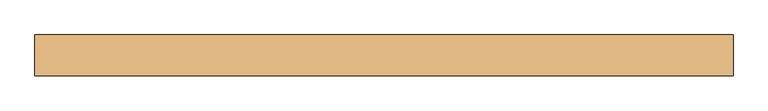
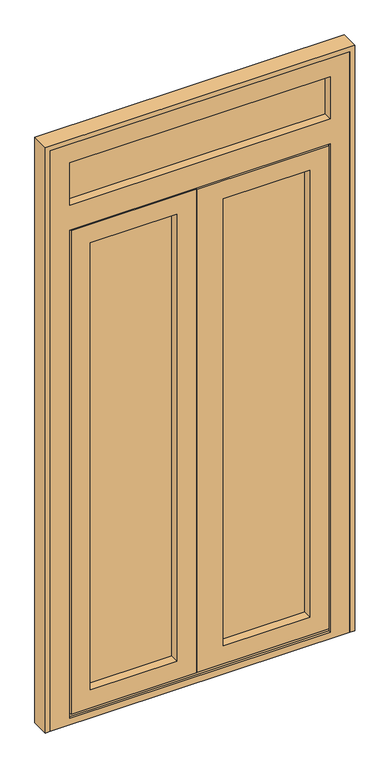
"""IFC4 building model written with IfcOpenShell, lengths in millimetres: door geometry."""

from ifc_helpers import new_model, si_unit, frame, origin, place, context, project, spatial, polyline, outline, extrude, faceted_brep, source, transform, mapped, element, save


def door_65523397(model_context):
    return source(origin(), model_context, "Body", "SolidModel", [
        extrude(outline(polyline([(53.0, 65.0), (-318.0, 65.0), (-318.0, 91.0), (53.0, 91.0), (53.0, 65.0)])), frame((0.0, 0.0, 99.0), z_axis=(0.0, 0.0, 1.0), x_axis=(1.0, 0.0, 0.0)), (0.0, 0.0, 1.0), 1868.0),
        extrude(outline(polyline([(568.0, 65.0), (197.0, 65.0), (197.0, 91.0), (568.0, 91.0), (568.0, 65.0)])), frame((0.0, 0.0, 99.0), z_axis=(0.0, 0.0, 1.0), x_axis=(1.0, 0.0, 0.0)), (0.0, 0.0, 1.0), 1868.0),
        extrude(outline(polyline([(648.0, 65.0), (-398.0, 65.0), (-398.0, 91.0), (648.0, 91.0), (648.0, 65.0)])), frame((0.0, 0.0, 2113.0), z_axis=(0.0, 0.0, 1.0), x_axis=(1.0, 0.0, 0.0)), (0.0, 0.0, 1.0), 210.0),
        faceted_brep([(-400.0, 91.0, 17.0), (-400.0, 100.0, 17.0), (135.0, 100.0, 17.0), (135.0, 91.0, 17.0), (-380.0, 91.0, 17.0), (-380.0, 39.0, 17.0), (-390.0, 39.0, 17.0), (-390.0, 91.0, 17.0), (650.0, 91.0, 17.0), (640.0, 91.0, 17.0), (640.0, 39.0, 17.0), (630.0, 39.0, 17.0), (630.0, 91.0, 17.0), (140.0, 91.0, 17.0), (140.0, 100.0, 17.0), (650.0, 100.0, 17.0), (-400.0, 91.0, 2049.0), (-400.0, 100.0, 2049.0), (135.0, 100.0, 2049.0), (-300.0, 100.0, 1949.0), (-300.0, 100.0, 117.0), (35.0, 100.0, 117.0), (35.0, 100.0, 1949.0), (650.0, 100.0, 2049.0), (140.0, 100.0, 2049.0), (550.0, 100.0, 117.0), (550.0, 100.0, 1949.0), (215.0, 100.0, 1949.0), (215.0, 100.0, 117.0), (-300.0, 91.0, 1949.0), (-300.0, 91.0, 117.0), (-318.0, 91.0, 1967.0), (-318.0, 91.0, 99.0), (53.0, 91.0, 99.0), (53.0, 91.0, 1967.0), (35.0, 91.0, 1949.0), (35.0, 91.0, 117.0), (568.0, 91.0, 99.0), (568.0, 91.0, 1967.0), (197.0, 91.0, 1967.0), (197.0, 91.0, 99.0), (550.0, 91.0, 1949.0), (550.0, 91.0, 117.0), (215.0, 91.0, 117.0), (215.0, 91.0, 1949.0), (630.0, 91.0, 27.0), (140.0, 91.0, 27.0), (-380.0, 91.0, 27.0), (135.0, 91.0, 27.0), (-318.0, 65.0, 1967.0), (-318.0, 65.0, 99.0), (53.0, 65.0, 1967.0), (53.0, 65.0, 99.0), (-300.0, 65.0, 1949.0), (-300.0, 65.0, 117.0), (35.0, 65.0, 117.0), (35.0, 65.0, 1949.0), (568.0, 65.0, 1967.0), (568.0, 65.0, 99.0), (197.0, 65.0, 99.0), (197.0, 65.0, 1967.0), (550.0, 65.0, 117.0), (550.0, 65.0, 1949.0), (215.0, 65.0, 1949.0), (215.0, 65.0, 117.0), (-300.0, 30.0, 1949.0), (-300.0, 30.0, 117.0), (-375.0, 30.0, 2024.0), (-375.0, 30.0, 42.0), (110.0, 30.0, 42.0), (110.0, 30.0, 2024.0), (35.0, 30.0, 1949.0), (35.0, 30.0, 117.0), (625.0, 30.0, 42.0), (625.0, 30.0, 2024.0), (115.0, 30.0, 2024.0), (115.0, 30.0, 42.0), (550.0, 30.0, 1949.0), (550.0, 30.0, 117.0), (215.0, 30.0, 117.0), (215.0, 30.0, 1949.0), (-375.0, 39.0, 2024.0), (-375.0, 39.0, 42.0), (640.0, 39.0, 2039.0), (-390.0, 39.0, 2039.0), (-380.0, 39.0, 27.0), (630.0, 39.0, 27.0), (625.0, 39.0, 2024.0), (625.0, 39.0, 42.0), (115.0, 39.0, 42.0), (115.0, 39.0, 2024.0), (110.0, 39.0, 42.0), (110.0, 39.0, 2024.0), (-390.0, 91.0, 2039.0), (135.0, 91.0, 2039.0), (135.0, 91.0, 2049.0), (640.0, 91.0, 2039.0), (650.0, 91.0, 2049.0), (140.0, 91.0, 2049.0), (140.0, 91.0, 2039.0)], [[[0, 1, 2, 3, 4, 5, 6, 7]], [[8, 9, 10, 11, 12, 13, 14, 15]], [[1, 0, 16, 17]], [[1, 17, 18, 2], [19, 20, 21, 22]], [[23, 15, 14, 24], [25, 26, 27, 28]], [[19, 29, 30, 20]], [[31, 32, 33, 34], [30, 29, 35, 36]], [[37, 38, 39, 40], [41, 42, 43, 44]], [[12, 45, 46, 13]], [[47, 4, 3, 48]], [[31, 49, 50, 32]], [[50, 49, 51, 52], [53, 54, 55, 56]], [[57, 58, 59, 60], [61, 62, 63, 64]], [[53, 65, 66, 54]], [[67, 68, 69, 70], [66, 65, 71, 72]], [[73, 74, 75, 76], [77, 78, 79, 80]], [[67, 81, 82, 68]], [[10, 83, 84, 6, 5, 85, 86, 11], [87, 88, 89, 90], [91, 82, 81, 92]], [[7, 6, 84, 93]], [[0, 7, 93, 94, 95, 16]], [[96, 9, 8, 97, 98, 99]], [[17, 16, 95, 18]], [[97, 23, 24, 98]], [[29, 19, 22, 35]], [[26, 41, 44, 27]], [[49, 31, 34, 51]], [[38, 57, 60, 39]], [[65, 53, 56, 71]], [[62, 77, 80, 63]], [[81, 67, 70, 92]], [[74, 87, 90, 75]], [[93, 84, 83, 96, 99, 94]], [[15, 23, 97, 8]], [[41, 26, 25, 42]], [[57, 38, 37, 58]], [[77, 62, 61, 78]], [[87, 74, 73, 88]], [[83, 10, 9, 96]], [[20, 30, 36, 21]], [[42, 25, 28, 43]], [[32, 50, 52, 33]], [[58, 37, 40, 59]], [[54, 66, 72, 55]], [[78, 61, 64, 79]], [[86, 45, 12, 11]], [[47, 85, 5, 4]], [[45, 86, 85, 47, 48, 46]], [[68, 82, 91, 69]], [[88, 73, 76, 89]], [[75, 90, 89, 76]], [[80, 79, 64, 63]], [[39, 60, 59, 40]], [[44, 43, 28, 27]], [[14, 13, 46, 99, 98, 24]], [[94, 99, 46, 48]], [[3, 2, 18, 95, 94, 48]], [[36, 35, 22, 21]], [[51, 34, 33, 52]], [[72, 71, 56, 55]], [[69, 91, 92, 70]]]),
        faceted_brep([(-455.0, 100.0, 2380.0), (705.0, 100.0, 2380.0), (705.0, 100.0, 0.0), (-455.0, 100.0, 0.0), (-405.0, 100.0, 2054.0), (-405.0, 100.0, 9.0), (655.0, 100.0, 9.0), (655.0, 100.0, 2054.0), (630.0, 100.0, 2305.0), (-380.0, 100.0, 2305.0), (-380.0, 100.0, 2131.0), (630.0, 100.0, 2131.0), (-380.0, 91.0, 2305.0), (-380.0, 91.0, 2131.0), (648.0, 91.0, 2323.0), (-398.0, 91.0, 2323.0), (-398.0, 91.0, 2113.0), (648.0, 91.0, 2113.0), (630.0, 91.0, 2305.0), (630.0, 91.0, 2131.0), (-398.0, 65.0, 2323.0), (-398.0, 65.0, 2113.0), (648.0, 65.0, 2323.0), (648.0, 65.0, 2113.0), (630.0, 65.0, 2305.0), (-380.0, 65.0, 2305.0), (-380.0, 65.0, 2131.0), (630.0, 65.0, 2131.0), (-380.0, 30.0, 2305.0), (-380.0, 30.0, 2131.0), (705.0, 30.0, 2380.0), (-455.0, 30.0, 2380.0), (-455.0, 30.0, 0.0), (705.0, 30.0, 0.0), (630.0, 30.0, 2305.0), (630.0, 30.0, 2131.0), (630.0, 30.0, 2029.0), (630.0, 30.0, 27.0), (-380.0, 30.0, 27.0), (-380.0, 30.0, 2029.0), (-405.0, 91.0, 9.0), (655.0, 91.0, 9.0), (-405.0, 91.0, 2054.0), (655.0, 91.0, 2054.0), (640.0, 91.0, 27.0), (640.0, 91.0, 2039.0), (-390.0, 91.0, 2039.0), (-390.0, 91.0, 27.0), (-390.0, 39.0, 27.0), (-380.0, 39.0, 27.0), (630.0, 39.0, 27.0), (640.0, 39.0, 27.0), (640.0, 39.0, 2039.0), (-390.0, 39.0, 2039.0), (630.0, 39.0, 2029.0), (-380.0, 39.0, 2029.0)], [[[0, 1, 2, 3], [4, 5, 6, 7], [8, 9, 10, 11]], [[9, 12, 13, 10]], [[14, 15, 16, 17], [12, 18, 19, 13]], [[15, 20, 21, 16]], [[20, 22, 23, 21], [24, 25, 26, 27]], [[25, 28, 29, 26]], [[30, 31, 32, 33], [29, 28, 34, 35], [36, 37, 38, 39]], [[32, 31, 0, 3]], [[9, 8, 18, 12]], [[15, 14, 22, 20]], [[25, 24, 34, 28]], [[1, 0, 31, 30]], [[18, 8, 11, 19]], [[22, 14, 17, 23]], [[34, 24, 27, 35]], [[2, 1, 30, 33]], [[6, 5, 40, 41]], [[40, 42, 43, 41], [44, 45, 46, 47]], [[44, 47, 48, 49, 38, 37, 50, 51]], [[3, 2, 33, 32]], [[13, 19, 11, 10]], [[4, 7, 43, 42]], [[46, 45, 52, 53]], [[51, 50, 54, 55, 49, 48, 53, 52]], [[36, 39, 55, 54]], [[29, 35, 27, 26]], [[16, 21, 23, 17]], [[39, 38, 49, 55]], [[47, 46, 53, 48]], [[5, 4, 42, 40]], [[7, 6, 41, 43]], [[45, 44, 51, 52]], [[37, 36, 54, 50]]]),
        extrude(outline(polyline([(2400.0, -475.0), (0.0, -475.0), (0.0, -455.0), (2380.0, -455.0), (2380.0, 705.0), (0.0, 705.0), (0.0, 725.0), (2400.0, 725.0), (2400.0, -475.0)])), frame((0.0, 30.0, 0.0), z_axis=(0.0, 1.0, 0.0), x_axis=(0.0, 0.0, 1.0)), (0.0, 0.0, 1.0), 70.0),
    ])


if __name__ == "__main__":
    model = new_model("IFC4")
    model_context = context("Model", 3, world=origin())
    ifc_project = project(units=[si_unit("LENGTHUNIT", "METRE", prefix="MILLI")], contexts=[model_context])
    site = spatial("IfcSite", under=ifc_project)
    building = spatial("IfcBuilding", under=site)
    placement = place(None, origin())
    door_shape = door_65523397(model_context)
    element("IfcDoor", 1, at=placement, inside=building, context=model_context, shape_type="MappedRepresentation", body=[
        mapped(door_shape, transform((0.0, 0.0, 0.0), x_axis=(1.0, 0.0, 0.0), y_axis=(0.0, 1.0, 0.0), z_axis=(0.0, 0.0, 1.0))),
    ])
    save(model, "model.ifc")
